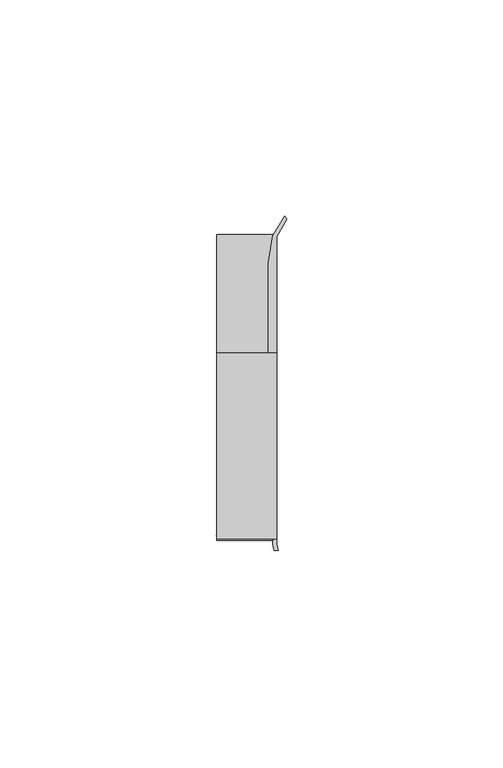
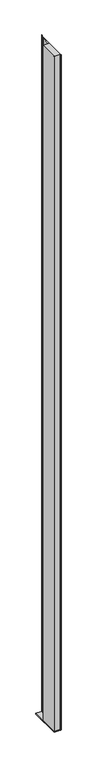
"""IFC4 building model written with IfcOpenShell, lengths in millimetres: furniture geometry."""

import ifcopenshell
import ifcopenshell.guid

model = None  # the IFC model being written
_history = None  # IfcOwnerHistory: only IFC2X3 demands one
_inside = {}  # id of a spatial element -> (the spatial element, [elements in it])
_under = {}  # id of a project, library or spatial element -> (it, [spatial elements below it])
_declared = {}  # id of a project -> (the project, [libraries it declares])
_typed = {}  # id of a type object -> (the type object, [elements of that type])
_made_of = {}  # id of a material, layer set ... -> (it, [elements and type objects made of it])


def new_model(schema):
    """Start an empty IFC model of exactly this schema.

    Asked for "IFC4X3", IfcOpenShell would pick the latest addendum, in which some entities
    have other attributes; the version numbers below select the first issue.
    IFC2X3 requires an IfcOwnerHistory on every rooted entity: one is made here for all.
    """
    global model, _history
    if schema == "IFC4X3":
        model = ifcopenshell.file(schema_version=(4, 3, 0, 0))
    else:
        model = ifcopenshell.file(schema=schema)
    _inside.clear()
    _under.clear()
    _declared.clear()
    _typed.clear()
    _made_of.clear()
    _history = None
    if model.schema == "IFC2X3":
        org = make("IfcOrganization", Name="unknown")
        user = make(
            "IfcPersonAndOrganization",
            ThePerson=make("IfcPerson", FamilyName="unknown"),
            TheOrganization=org,
        )
        app = make(
            "IfcApplication",
            ApplicationDeveloper=org,
            Version="unknown",
            ApplicationFullName="unknown",
            ApplicationIdentifier="unknown",
        )
        _history = make(
            "IfcOwnerHistory",
            OwningUser=user,
            OwningApplication=app,
            ChangeAction="ADDED",
            CreationDate=0,
        )
    return model


def make(cls, **values):
    """One entity of the class cls with the attributes given. An attribute that is None is left unset."""
    return model.create_entity(
        cls, **{name: value for name, value in values.items() if value is not None}
    )


def rooted(cls, **values):
    """An entity with a GlobalId (a new one), such as an element, a storey or a relation."""
    return make(cls, GlobalId=ifcopenshell.guid.new(), OwnerHistory=_history, **values)


def si_unit(unit_type, name, prefix=None):
    """IfcSIUnit, for example si_unit("LENGTHUNIT", "METRE", prefix="MILLI")."""
    return make("IfcSIUnit", UnitType=unit_type, Prefix=prefix, Name=name)


def assignment(units):
    """IfcUnitAssignment: the units of a project."""
    return None if units is None else make("IfcUnitAssignment", Units=units)


def point(xyz):
    """IfcCartesianPoint."""
    return None if xyz is None else make("IfcCartesianPoint", Coordinates=xyz)


def direction(xyz):
    """IfcDirection."""
    return None if xyz is None else make("IfcDirection", DirectionRatios=xyz)


def frame(location, z_axis=None, x_axis=None):
    """IfcAxis2Placement3D, a coordinate frame: its origin and axes. An axis left out is left unset."""
    return make(
        "IfcAxis2Placement3D",
        Location=point(location),
        Axis=direction(z_axis),
        RefDirection=direction(x_axis),
    )


def frame_2d(location, x_axis=None):
    """IfcAxis2Placement2D, a coordinate frame in the plane: its origin and x axis."""
    return make(
        "IfcAxis2Placement2D", Location=point(location), RefDirection=direction(x_axis)
    )


def origin():
    """The frame at (0, 0, 0) with its axes left unset."""
    return frame((0.0, 0.0, 0.0))


def place(relative_to, where):
    """IfcLocalPlacement: puts the frame where relative to a parent placement (None: the world)."""
    return make(
        "IfcLocalPlacement", PlacementRelTo=relative_to, RelativePlacement=where
    )


def context(
    kind, dimensions, precision=None, world=None, true_north=None, identifier=None
):
    """IfcGeometricRepresentationContext, for example the 3D "Model" context."""
    return make(
        "IfcGeometricRepresentationContext",
        ContextIdentifier=identifier,
        ContextType=kind,
        CoordinateSpaceDimension=dimensions,
        Precision=precision,
        WorldCoordinateSystem=world,
        TrueNorth=true_north,
    )


def project(units=None, contexts=None):
    """IfcProject with its units and contexts."""
    return rooted(
        "IfcProject",
        Name="project",
        RepresentationContexts=contexts,
        UnitsInContext=assignment(units),
    )


def spatial(cls, under=None, at=None, **own):
    """A site, building, storey or space (cls), placed at a placement, below another one or the project."""
    s = rooted(cls, ObjectPlacement=at, **own)
    if under is not None:
        _under.setdefault(under.id(), (under, []))[1].append(s)
    return s


def polyline(points):
    """IfcPolyline through the points."""
    return make("IfcPolyline", Points=[point(p) for p in points])


def circle_curve(where, radius):
    """IfcCircle in the frame where."""
    return make("IfcCircle", Position=where, Radius=radius)


def trimmed(basis, trim1, trim2, sense, master):
    """IfcTrimmedCurve: the piece of a basis curve between two trims."""
    return make(
        "IfcTrimmedCurve",
        BasisCurve=basis,
        Trim1=trim1,
        Trim2=trim2,
        SenseAgreement=sense,
        MasterRepresentation=master,
    )


def segment(curve, same_sense, transition):
    """IfcCompositeCurveSegment."""
    return make(
        "IfcCompositeCurveSegment",
        Transition=transition,
        SameSense=same_sense,
        ParentCurve=curve,
    )


def composite_curve(segments, self_intersect=None):
    """IfcCompositeCurve: segments joined end to end."""
    return make("IfcCompositeCurve", Segments=segments, SelfIntersect=self_intersect)


def outline(outer, holes=None, kind="AREA"):
    """IfcArbitraryClosedProfileDef: a profile drawn as a closed curve; with holes, ...WithVoids."""
    if holes is None:
        return make("IfcArbitraryClosedProfileDef", ProfileType=kind, OuterCurve=outer)
    return make(
        "IfcArbitraryProfileDefWithVoids",
        ProfileType=kind,
        OuterCurve=outer,
        InnerCurves=holes,
    )


def extrude(swept, where, along, depth):
    """IfcExtrudedAreaSolid: the profile swept, set in the frame where, extruded along a direction by depth."""
    return make(
        "IfcExtrudedAreaSolid",
        SweptArea=swept,
        Position=where,
        ExtrudedDirection=direction(along),
        Depth=depth,
    )


def shape(context_of_items, identifier, shape_type, items):
    """IfcShapeRepresentation: the items that make up one representation, for example the "Body"."""
    return make(
        "IfcShapeRepresentation",
        ContextOfItems=context_of_items,
        RepresentationIdentifier=identifier,
        RepresentationType=shape_type,
        Items=items,
    )


def source(mapping_origin, context_of_items, identifier, shape_type, items):
    """IfcRepresentationMap: a shape defined once, which mapped items show again and again."""
    return make(
        "IfcRepresentationMap",
        MappingOrigin=mapping_origin,
        MappedRepresentation=shape(context_of_items, identifier, shape_type, items),
    )


def transform(
    local_origin,
    x_axis=None,
    y_axis=None,
    z_axis=None,
    scale=None,
    scale2=None,
    scale3=None,
    uniform=True,
):
    """IfcCartesianTransformationOperator3D, or its non-uniform kind. x_axis, y_axis, z_axis: its Axis1, 2, 3."""
    if uniform:
        return make(
            "IfcCartesianTransformationOperator3D",
            Axis1=direction(x_axis),
            Axis2=direction(y_axis),
            LocalOrigin=point(local_origin),
            Scale=scale,
            Axis3=direction(z_axis),
        )
    return make(
        "IfcCartesianTransformationOperator3DnonUniform",
        Axis1=direction(x_axis),
        Axis2=direction(y_axis),
        LocalOrigin=point(local_origin),
        Scale=scale,
        Axis3=direction(z_axis),
        Scale2=scale2,
        Scale3=scale3,
    )


def mapped(mapping_source, mapping_target):
    """IfcMappedItem: shows the shape of a source again, moved by a transform."""
    return make(
        "IfcMappedItem", MappingSource=mapping_source, MappingTarget=mapping_target
    )


def made_of(thing, what):
    """Note that an element or type object is made of a material, layer set ...; save() writes the relation."""
    if what is not None:
        _made_of.setdefault(what.id(), (what, []))[1].append(thing)
    return thing


def element(
    cls,
    number,
    at=None,
    inside=None,
    cuts=None,
    type_object=None,
    material=None,
    context=None,
    identifier="Body",
    shape_type=None,
    held_by="IfcProductDefinitionShape",
    body=None,
    shapes=None,
    **own,
):
    """One element of the class cls, such as IfcWall. Its Tag is "e" and its number.

    at: its placement. inside: the storey or other place that contains it. cuts: it is an
    opening in that element (IfcRelVoidsElement). A single representation is given by context,
    identifier, shape_type and body (its items); several are given by shapes. held_by: the class
    of the entity that holds the representations. save() writes the other relations.
    """
    e = rooted(cls, Tag="e%d" % number, ObjectPlacement=at, **own)
    if body is not None:
        shapes = [shape(context, identifier, shape_type, body)]
    if shapes is not None:
        e.Representation = make(held_by, Representations=shapes)
    if inside is not None:
        _inside.setdefault(inside.id(), (inside, []))[1].append(e)
    if cuts is not None:
        rooted(
            "IfcRelVoidsElement", RelatingBuildingElement=cuts, RelatedOpeningElement=e
        )
    if type_object is not None:
        _typed.setdefault(type_object.id(), (type_object, []))[1].append(e)
    return made_of(e, material)


def aggregate(whole, parts):
    """IfcRelAggregates: a whole, such as a stair, and the parts it consists of."""
    return rooted("IfcRelAggregates", RelatingObject=whole, RelatedObjects=parts)


def save(model, path):
    """Write the relations noted so far, then the file.

    IfcRelAggregates (storeys below a building ...), IfcRelContainedInSpatialStructure (elements
    in a storey), IfcRelDefinesByType, IfcRelAssociatesMaterial and IfcRelDeclares: one each for
    every whole, place, type object, material and project.
    """
    for whole, parts in _under.values():
        aggregate(whole, parts)
    for where, things in _inside.values():
        rooted(
            "IfcRelContainedInSpatialStructure",
            RelatedElements=things,
            RelatingStructure=where,
        )
    for kind, things in _typed.values():
        rooted("IfcRelDefinesByType", RelatedObjects=things, RelatingType=kind)
    for what, things in _made_of.values():
        rooted("IfcRelAssociatesMaterial", RelatedObjects=things, RelatingMaterial=what)
    for by, libraries in _declared.values():
        rooted("IfcRelDeclares", RelatingContext=by, RelatedDefinitions=libraries)
    model.write(path)


def furniture_58ae8a10(model_context):
    return source(origin(), model_context, "Body", "SweptSolid", [
        extrude(outline(polyline([(31.9660873, 18.9594777), (31.9660873, -24.0995273), (18.0754623, -24.0995273), (18.0754623, 18.9594777), (31.9660873, 18.9594777)])), frame((0.0, 0.0, 513.2043624), z_axis=(0.0, 0.0, 1.0), x_axis=(1.0, 0.0, 0.0)), (0.0, 0.0, 1.0), 1614.0456376),
        extrude(outline(polyline([(18.0754623, -24.0995273), (18.0754623, 46.6824219), (31.9660873, 46.6824219), (31.9660873, -24.0995273), (18.0754623, -24.0995273)])), frame((0.0, 0.0, 510.67208), z_axis=(0.0, 0.0, 1.0), x_axis=(1.0, 0.0, 0.0)), (0.0, 0.0, 1.0), 2.5322824),
        extrude(outline(composite_curve([segment(polyline([(33.8779838, 50.6802202), (34.2963358, 49.8958113), (31.9660873, 45.8886719), (31.9660873, -25.0252959)]), True, "CONTINUOUS"), segment(trimmed(circle_curve(frame_2d((36.5370848, -24.9306779)), 4.5719767), [point((31.9660873, -25.0252959))], [point((32.3362111, -26.7350146))], True, "CARTESIAN"), True, "CONTINUOUS"), segment(polyline([(32.3362111, -26.7350146), (31.3598061, -26.7312177)]), True, "CONTINUOUS"), segment(trimmed(circle_curve(frame_2d((38.1067431, -24.7767162)), 7.0243316), [point((31.3598061, -26.7312177))], [point((31.0897622, -25.0979846))], False, "CARTESIAN"), True, "CONTINUOUS"), segment(polyline([(31.0897622, -25.0979846), (31.204088, -24.0995273), (18.7580885, -24.0995273), (17.9586029, -23.2998418), (31.2224462, -23.2998418), (31.2224462, 18.9594777), (29.9783377, 18.9594777), (29.9783377, 39.6814262), (31.1100649, 46.0995711), (33.8779838, 50.6802202)]), True, "CONTINUOUS")], self_intersect=False)), frame((0.0, 0.0, 513.2043624), z_axis=(0.0, 0.0, 1.0), x_axis=(1.0, 0.0, 0.0)), (0.0, 0.0, 1.0), 1614.0456376),
    ])


if __name__ == "__main__":
    model = new_model("IFC4")
    model_context = context("Model", 3, world=origin())
    ifc_project = project(units=[si_unit("LENGTHUNIT", "METRE", prefix="MILLI")], contexts=[model_context])
    site = spatial("IfcSite", under=ifc_project)
    building = spatial("IfcBuilding", under=site)
    placement = place(None, origin())
    furniture_shape = furniture_58ae8a10(model_context)
    element("IfcFurniture", 1, at=placement, inside=building, context=model_context, shape_type="MappedRepresentation", body=[
        mapped(furniture_shape, transform((0.0, 0.0, 0.0), x_axis=(1.0, 0.0, 0.0), y_axis=(0.0, 1.0, 0.0), z_axis=(0.0, 0.0, 1.0))),
    ])
    save(model, "model.ifc")
